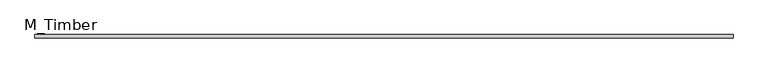
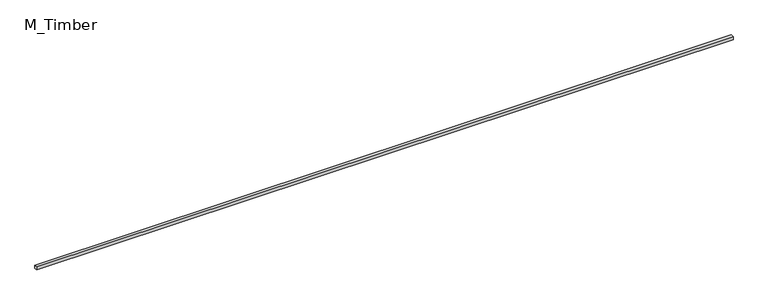
"""IFC4 building model written with IfcOpenShell, lengths in millimetres: beam geometry, M_Timber."""

from ifc_helpers import new_model, si_unit, frame, origin, place, context, project, spatial, polyline, outline, extrude, source, transform, mapped, element, save


def m_timber_d3aa1b6f(model_context):
    return source(origin(), model_context, "Body", "SweptSolid", [
        extrude(outline(polyline([(4334.035131, 20.0), (4334.035131, -20.0), (-4334.035131, -20.0), (-4334.035131, 20.0), (4334.035131, 20.0)])), frame((0.0, 0.0, -20.0), z_axis=(0.0, 0.0, 1.0), x_axis=(1.0, 0.0, 0.0)), (0.0, 0.0, 1.0), 40.0),
    ])


if __name__ == "__main__":
    model = new_model("IFC4")
    model_context = context("Model", 3, world=origin())
    ifc_project = project(units=[si_unit("LENGTHUNIT", "METRE", prefix="MILLI")], contexts=[model_context])
    site = spatial("IfcSite", under=ifc_project)
    building = spatial("IfcBuilding", under=site)
    placement = place(None, origin())
    m_timber_shape = m_timber_d3aa1b6f(model_context)
    element("IfcBeam", 1, ObjectType="M_Timber", at=placement, inside=building, context=model_context, shape_type="MappedRepresentation", body=[
        mapped(m_timber_shape, transform((0.0, 0.0, 0.0), x_axis=(1.0, 0.0, 0.0), y_axis=(0.0, 1.0, 0.0), z_axis=(0.0, 0.0, 1.0))),
    ])
    save(model, "model.ifc")
